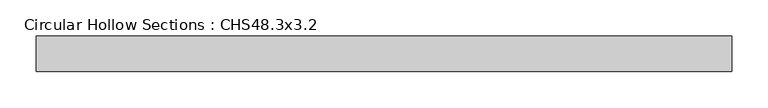
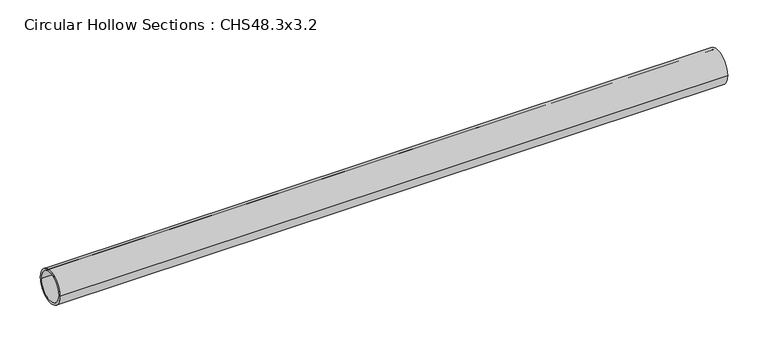
"""IFC4 building model written with IfcOpenShell, lengths in millimetres: member geometry, Circular Hollow Sections : CHS48.3x3.2."""

from ifc_helpers import new_model, si_unit, point, frame, origin, origin_2d, place, context, project, spatial, circle_curve, trimmed, segment, composite_curve, outline, extrude, source, transform, mapped, element, save


def circular_hollow_sections_chs48_3x3_2_8f45cbbb(model_context):
    return source(origin(), model_context, "Body", "SweptSolid", [
        extrude(outline(composite_curve([segment(trimmed(circle_curve(origin_2d(), 24.15), [point((-24.15, 0.0))], [point((24.15, 0.0))], False, "CARTESIAN"), True, "CONTINUOUS"), segment(trimmed(circle_curve(origin_2d(), 24.15), [point((24.15, 0.0))], [point((-24.15, 0.0))], False, "CARTESIAN"), True, "CONTINUOUS")], self_intersect=False), holes=[composite_curve([segment(trimmed(circle_curve(origin_2d(), 20.95), [point((20.95, 0.0))], [point((-20.95, 0.0))], True, "CARTESIAN"), True, "CONTINUOUS"), segment(trimmed(circle_curve(origin_2d(), 20.95), [point((-20.95, 0.0))], [point((20.95, 0.0))], True, "CARTESIAN"), True, "CONTINUOUS")], self_intersect=False)]), frame((-477.2, 0.0, 0.0), z_axis=(1.0, 0.0, 0.0), x_axis=(0.0, 1.0, 0.0)), (0.0, 0.0, 1.0), 954.4),
    ])


if __name__ == "__main__":
    model = new_model("IFC4")
    model_context = context("Model", 3, world=origin())
    ifc_project = project(units=[si_unit("LENGTHUNIT", "METRE", prefix="MILLI")], contexts=[model_context])
    site = spatial("IfcSite", under=ifc_project)
    building = spatial("IfcBuilding", under=site)
    placement = place(None, origin())
    circular_hollow_sections_chs48_3x3_2_shape = circular_hollow_sections_chs48_3x3_2_8f45cbbb(model_context)
    element("IfcMember", 1, ObjectType="Circular Hollow Sections : CHS48.3x3.2", at=placement, inside=building, context=model_context, shape_type="MappedRepresentation", body=[
        mapped(circular_hollow_sections_chs48_3x3_2_shape, transform((0.0, 0.0, 0.0), x_axis=(1.0, 0.0, 0.0), y_axis=(0.0, 1.0, 0.0), z_axis=(0.0, 0.0, 1.0))),
    ])
    save(model, "model.ifc")
